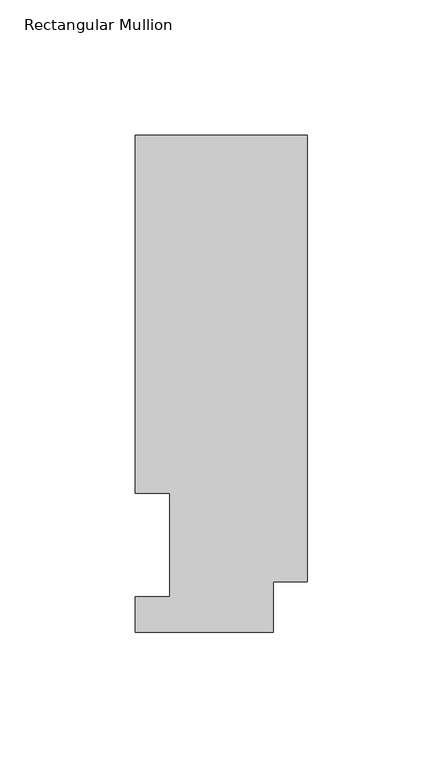
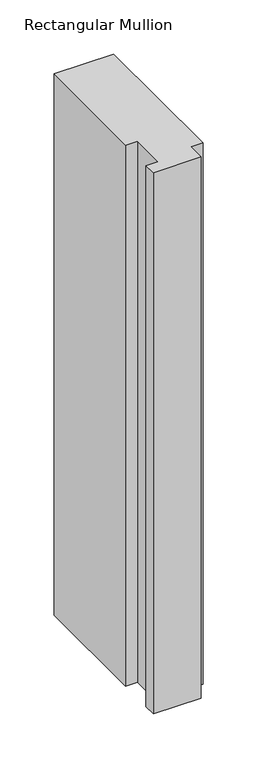
"""IFC4 building model written with IfcOpenShell, lengths in millimetres: member geometry, Rectangular Mullion."""

from ifc_helpers import new_model, si_unit, frame, origin, place, context, project, spatial, polyline, outline, extrude, source, transform, mapped, element, save


def rectangular_mullion_8d3e00db(model_context):
    return source(origin(), model_context, "Body", "SweptSolid", [
        extrude(outline(polyline([(0.0, 18.7332937), (-12.7, 18.7332937), (-12.7, 0.0134937), (-63.5, 0.0134937), (-63.5, 13.1960938), (-50.8, 13.1960938), (-50.8, 51.2960937), (-63.5, 51.2960937), (-63.5, 183.4446737), (0.0, 183.4446737), (0.0, 18.7332937)])), frame((0.0, 0.0, -609.6), z_axis=(0.0, 0.0, 1.0), x_axis=(1.0, 0.0, 0.0)), (0.0, 0.0, 1.0), 609.6),
    ])


if __name__ == "__main__":
    model = new_model("IFC4")
    model_context = context("Model", 3, world=origin())
    ifc_project = project(units=[si_unit("LENGTHUNIT", "METRE", prefix="MILLI")], contexts=[model_context])
    site = spatial("IfcSite", under=ifc_project)
    building = spatial("IfcBuilding", under=site)
    placement = place(None, origin())
    rectangular_mullion_shape = rectangular_mullion_8d3e00db(model_context)
    element("IfcMember", 1, ObjectType="Rectangular Mullion", at=placement, inside=building, context=model_context, shape_type="MappedRepresentation", body=[
        mapped(rectangular_mullion_shape, transform((0.0, 0.0, 0.0), x_axis=(1.0, 0.0, 0.0), y_axis=(0.0, 1.0, 0.0), z_axis=(0.0, 0.0, 1.0))),
    ])
    save(model, "model.ifc")
